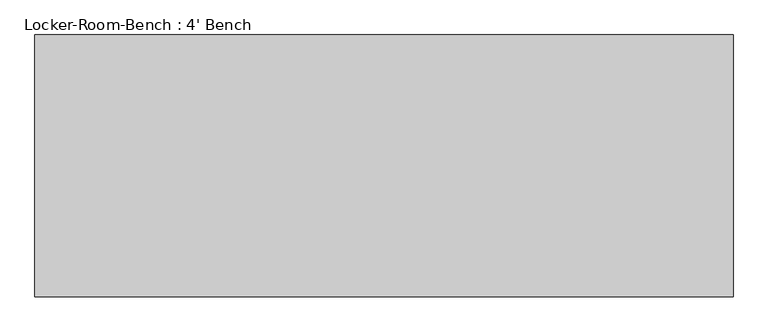
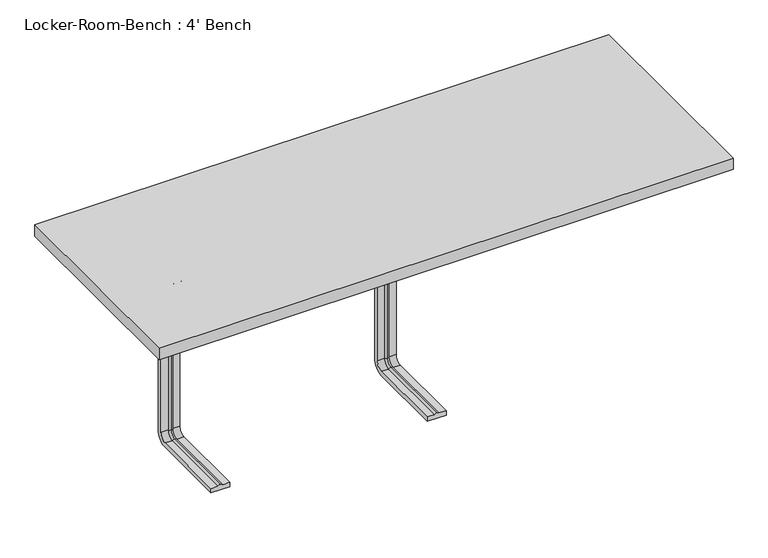
"""IFC4 building model written with IfcOpenShell, lengths in millimetres: furniture geometry, Locker-Room-Bench : 4' Bench."""

from ifc_helpers import new_model, si_unit, point, frame, origin, place, context, project, spatial, polyline, circle_curve, ellipse_curve, trimmed, outline, extrude, source, transform, mapped, element, save
from ifc_brep_helpers import plane_surface, cylinder_surface, revolved_surface, advanced_brep


def locker_room_bench_4_bench_156caa97(model_context):
    return source(origin(), model_context, "Body", "SolidModel", [
        advanced_brep(
        [(-439.6, -193.6, 381.4), (-479.6, -193.6, 381.4), (-479.6, -193.6, 371.4), (-464.6, -193.6, 371.4), (-459.6, -193.6, 369.0684617), (-454.6, -193.6, 371.4), (-439.6, -193.6, 371.4), (-439.6, -25.0, 381.4), (-479.6, -25.0, 381.4), (-479.6, 0.0, 356.4), (-479.6, 0.0, 40.0), (-479.6, -25.0, 15.0), (-479.6, -193.6, 15.0), (-479.6, -193.6, 25.0), (-479.6, -25.0, 25.0), (-479.6, -10.0, 40.0), (-479.6, -10.0, 356.4), (-479.6, -25.0, 371.4), (-464.6, -25.0, 371.4), (-459.6, -25.0, 369.0684617), (-454.6, -25.0, 371.4), (-439.6, -25.0, 371.4), (-439.6, -10.0, 356.4), (-439.6, -10.0, 40.0), (-439.6, -25.0, 25.0), (-439.6, -193.6, 25.0), (-439.6, -193.6, 15.0), (-439.6, -25.0, 15.0), (-439.6, 0.0, 40.0), (-439.6, 0.0, 356.4), (-464.6, -10.0, 356.4), (-459.6, -12.3315383, 356.4), (-454.6, -10.0, 356.4), (-464.6, -10.0, 40.0), (-459.6, -12.3315383, 40.0), (-454.6, -10.0, 40.0), (-464.6, -25.0, 25.0), (-459.6, -25.0, 27.3315383), (-454.6, -25.0, 25.0), (-454.6, -193.6, 25.0), (-459.6, -193.6, 27.3315383), (-464.6, -193.6, 25.0)],
        [
            (0, 1),
            (1, 2),
            (2, 3),
            (3, 4, circle_curve(frame((-459.8996409, -193.6, 374.9529162), z_axis=(0.0, -1.0, 0.0), x_axis=(0.0, 0.0, 1.0)), 5.8920785)),
            (4, 5, circle_curve(frame((-459.3003591, -193.6, 374.9529162), z_axis=(0.0, -1.0, 0.0), x_axis=(0.0, 0.0, 1.0)), 5.8920785)),
            (5, 6),
            (6, 0),
            (0, 7),
            (7, 8),
            (8, 1),
            (8, 9, circle_curve(frame((-479.6, -25.0, 356.4), z_axis=(-1.0, 0.0, 0.0), x_axis=(0.0, 0.0, 1.0)), 25.0)),
            (9, 10),
            (10, 11, circle_curve(frame((-479.6, -25.0, 40.0), z_axis=(-1.0, 0.0, 0.0), x_axis=(0.0, 1.0, 0.0)), 25.0)),
            (11, 12),
            (12, 13),
            (13, 14),
            (14, 15, circle_curve(frame((-479.6, -25.0, 40.0), z_axis=(1.0, 0.0, 0.0), x_axis=(0.0, 1.0, 0.0)), 15.0)),
            (15, 16),
            (16, 17, circle_curve(frame((-479.6, -25.0, 356.4), z_axis=(1.0, 0.0, 0.0), x_axis=(0.0, 0.0, 1.0)), 15.0)),
            (17, 2),
            (17, 18),
            (18, 3),
            (18, 19, circle_curve(frame((-459.8996409, -25.0, 374.9529162), z_axis=(0.0, -1.0, 0.0), x_axis=(0.0, 0.0, 1.0)), 5.8920785)),
            (19, 4),
            (19, 20, circle_curve(frame((-459.3003591, -25.0, 374.9529162), z_axis=(0.0, -1.0, 0.0), x_axis=(0.0, 0.0, 1.0)), 5.8920785)),
            (20, 5),
            (20, 21),
            (21, 6),
            (21, 22, circle_curve(frame((-439.6, -25.0, 356.4), z_axis=(-1.0, 0.0, 0.0), x_axis=(0.0, 0.0, 1.0)), 15.0)),
            (22, 23),
            (23, 24, circle_curve(frame((-439.6, -25.0, 40.0), z_axis=(-1.0, 0.0, 0.0), x_axis=(0.0, 1.0, 0.0)), 15.0)),
            (24, 25),
            (25, 26),
            (26, 27),
            (27, 28, circle_curve(frame((-439.6, -25.0, 40.0), z_axis=(1.0, 0.0, 0.0), x_axis=(0.0, 1.0, 0.0)), 25.0)),
            (28, 29),
            (29, 7, circle_curve(frame((-439.6, -25.0, 356.4), z_axis=(1.0, 0.0, 0.0), x_axis=(0.0, 0.0, 1.0)), 25.0)),
            (29, 9),
            (30, 18, circle_curve(frame((-464.6, -25.0, 356.4), z_axis=(1.0, 0.0, 0.0), x_axis=(0.0, 0.0, 1.0)), 15.0)),
            (16, 30),
            (31, 19, circle_curve(frame((-459.6, -25.0, 356.4), z_axis=(1.0, 0.0, 0.0), x_axis=(0.0, 0.0, 1.0)), 12.6684617)),
            (30, 31, circle_curve(frame((-459.8996409, -6.4470838, 356.4), z_axis=(0.0, 0.0, 1.0), x_axis=(0.0, 1.0, 0.0)), 5.8920785)),
            (32, 20, circle_curve(frame((-454.6, -25.0, 356.4), z_axis=(1.0, 0.0, 0.0), x_axis=(0.0, 0.0, 1.0)), 15.0)),
            (31, 32, circle_curve(frame((-459.3003591, -6.4470838, 356.4), z_axis=(0.0, 0.0, 1.0), x_axis=(0.0, 1.0, 0.0)), 5.8920785)),
            (32, 22),
            (28, 10),
            (15, 33),
            (33, 30),
            (33, 34, circle_curve(frame((-459.8996409, -6.4470838, 40.0), z_axis=(0.0, 0.0, 1.0), x_axis=(0.0, 1.0, 0.0)), 5.8920785)),
            (34, 31),
            (34, 35, circle_curve(frame((-459.3003591, -6.4470838, 40.0), z_axis=(0.0, 0.0, 1.0), x_axis=(0.0, 1.0, 0.0)), 5.8920785)),
            (35, 32),
            (35, 23),
            (27, 11),
            (36, 33, circle_curve(frame((-464.6, -25.0, 40.0), z_axis=(1.0, 0.0, 0.0), x_axis=(0.0, 1.0, 0.0)), 15.0)),
            (14, 36),
            (37, 34, circle_curve(frame((-459.6, -25.0, 40.0), z_axis=(1.0, 0.0, 0.0), x_axis=(0.0, 1.0, 0.0)), 12.6684617)),
            (36, 37, circle_curve(frame((-459.8996409, -25.0, 21.4470838), z_axis=(0.0, 1.0, 0.0), x_axis=(0.0, 0.0, -1.0)), 5.8920785)),
            (38, 35, circle_curve(frame((-454.6, -25.0, 40.0), z_axis=(1.0, 0.0, 0.0), x_axis=(0.0, 1.0, 0.0)), 15.0)),
            (37, 38, circle_curve(frame((-459.3003591, -25.0, 21.4470838), z_axis=(0.0, 1.0, 0.0), x_axis=(0.0, 0.0, -1.0)), 5.8920785)),
            (38, 24),
            (25, 39),
            (39, 40, circle_curve(frame((-459.3003591, -193.6, 21.4470838), z_axis=(0.0, -1.0, 0.0), x_axis=(0.0, 0.0, -1.0)), 5.8920785)),
            (40, 41, circle_curve(frame((-459.8996409, -193.6, 21.4470838), z_axis=(0.0, -1.0, 0.0), x_axis=(0.0, 0.0, -1.0)), 5.8920785)),
            (41, 13),
            (12, 26),
            (41, 36),
            (40, 37),
            (39, 38),
        ],
        [
            plane_surface(frame((-459.6, -193.6, 381.4), z_axis=(0.0, -1.0, 0.0), x_axis=(1.0, 0.0, 0.0))),
            plane_surface(frame((-439.6, -193.6, 381.4), z_axis=(0.0, 0.0, 1.0), x_axis=(0.0, 1.0, 0.0))),
            plane_surface(frame((-479.6, -193.6, 381.4), z_axis=(-1.0, 0.0, 0.0), x_axis=(0.0, 1.0, 0.0))),
            plane_surface(frame((-479.6, -193.6, 371.4), z_axis=(0.0, 0.0, -1.0), x_axis=(0.0, 1.0, 0.0))),
            cylinder_surface(frame((-459.8996409, -193.6, 374.9529162), z_axis=(0.0, -1.0, 0.0), x_axis=(0.0, 0.0, 1.0)), 5.8920785),
            cylinder_surface(frame((-459.3003591, -193.6, 374.9529162), z_axis=(0.0, -1.0, 0.0), x_axis=(0.0, 0.0, 1.0)), 5.8920785),
            plane_surface(frame((-454.6, -193.6, 371.4), z_axis=(0.0, 0.0, -1.0), x_axis=(0.0, 1.0, 0.0))),
            plane_surface(frame((-439.6, -193.6, 371.4), z_axis=(1.0, 0.0, 0.0), x_axis=(0.0, 1.0, 0.0))),
            cylinder_surface(frame((-459.6, -25.0, 356.4), z_axis=(-1.0, 0.0, 0.0), x_axis=(0.0, 0.0, 1.0)), 25.0),
            revolved_surface(polyline([(-479.6, -25.0, 371.4), (-464.6, -25.0, 371.4)]), (-459.6, -25.0, 356.4), (-1.0, 0.0, 0.0)),
            revolved_surface(trimmed(ellipse_curve(frame((-459.8996409, -25.0, 374.9529162), z_axis=(0.0, -1.0, 0.0), x_axis=(0.0, 0.0, 1.0)), 5.8920785, 5.8920785), [point((-464.6, -25.0, 371.4))], [point((-459.6, -25.0, 369.0684617))], True, "CARTESIAN"), (-459.6, -25.0, 356.4), (-1.0, 0.0, 0.0)),
            revolved_surface(trimmed(ellipse_curve(frame((-459.3003591, -25.0, 374.9529162), z_axis=(0.0, -1.0, 0.0), x_axis=(0.0, 0.0, 1.0)), 5.8920785, 5.8920785), [point((-459.6, -25.0, 369.0684617))], [point((-454.6, -25.0, 371.4))], True, "CARTESIAN"), (-459.6, -25.0, 356.4), (-1.0, 0.0, 0.0)),
            revolved_surface(polyline([(-454.6, -25.0, 371.4), (-439.6, -25.0, 371.4)]), (-459.6, -25.0, 356.4), (-1.0, 0.0, 0.0)),
            plane_surface(frame((-439.6, 0.0, 356.4), z_axis=(0.0, 1.0, 0.0), x_axis=(0.0, 0.0, -1.0))),
            plane_surface(frame((-479.6, -10.0, 356.4), z_axis=(0.0, -1.0, 0.0), x_axis=(0.0, 0.0, -1.0))),
            cylinder_surface(frame((-459.8996409, -6.4470838, 356.4), z_axis=(0.0, 0.0, 1.0), x_axis=(0.0, 1.0, 0.0)), 5.8920785),
            cylinder_surface(frame((-459.3003591, -6.4470838, 356.4), z_axis=(0.0, 0.0, 1.0), x_axis=(0.0, 1.0, 0.0)), 5.8920785),
            plane_surface(frame((-454.6, -10.0, 356.4), z_axis=(0.0, -1.0, 0.0), x_axis=(0.0, 0.0, -1.0))),
            cylinder_surface(frame((-459.6, -25.0, 40.0), z_axis=(-1.0, 0.0, 0.0), x_axis=(0.0, 1.0, 0.0)), 25.0),
            revolved_surface(polyline([(-479.6, -10.0, 40.0), (-464.6, -10.0, 40.0)]), (-459.6, -25.0, 40.0), (-1.0, 0.0, 0.0)),
            revolved_surface(trimmed(ellipse_curve(frame((-459.8996409, -6.4470838, 40.0), z_axis=(0.0, 0.0, 1.0), x_axis=(0.0, 1.0, 0.0)), 5.8920785, 5.8920785), [point((-464.6, -10.0, 40.0))], [point((-459.6, -12.3315383, 40.0))], True, "CARTESIAN"), (-459.6, -25.0, 40.0), (-1.0, 0.0, 0.0)),
            revolved_surface(trimmed(ellipse_curve(frame((-459.3003591, -6.4470838, 40.0), z_axis=(0.0, 0.0, 1.0), x_axis=(0.0, 1.0, 0.0)), 5.8920785, 5.8920785), [point((-459.6, -12.3315383, 40.0))], [point((-454.6, -10.0, 40.0))], True, "CARTESIAN"), (-459.6, -25.0, 40.0), (-1.0, 0.0, 0.0)),
            revolved_surface(polyline([(-454.6, -10.0, 40.0), (-439.6, -10.0, 40.0)]), (-459.6, -25.0, 40.0), (-1.0, 0.0, 0.0)),
            plane_surface(frame((-459.6, -193.6, 15.0), z_axis=(0.0, -1.0, 0.0), x_axis=(1.0, 0.0, 0.0))),
            plane_surface(frame((-439.6, -25.0, 15.0), z_axis=(0.0, 0.0, -1.0), x_axis=(0.0, -1.0, 0.0))),
            plane_surface(frame((-479.6, -25.0, 25.0), z_axis=(0.0, 0.0, 1.0), x_axis=(0.0, -1.0, 0.0))),
            cylinder_surface(frame((-459.8996409, -25.0, 21.4470838), z_axis=(0.0, 1.0, 0.0), x_axis=(0.0, 0.0, -1.0)), 5.8920785),
            cylinder_surface(frame((-459.3003591, -25.0, 21.4470838), z_axis=(0.0, 1.0, 0.0), x_axis=(0.0, 0.0, -1.0)), 5.8920785),
            plane_surface(frame((-454.6, -25.0, 25.0), z_axis=(0.0, 0.0, 1.0), x_axis=(0.0, -1.0, 0.0))),
        ],
        [
            (0, [[1, 2, 3, 4, 5, 6, 7]]),
            (1, [[-1, 8, 9, 10]]),
            (2, [[-2, -10, 11, 12, 13, 14, 15, 16, 17, 18, 19, 20]]),
            (3, [[-3, -20, 21, 22]]),
            (4, [[-4, -22, 23, 24]]),
            (5, [[-5, -24, 25, 26]]),
            (6, [[-6, -26, 27, 28]]),
            (7, [[-7, -28, 29, 30, 31, 32, 33, 34, 35, 36, 37, -8]]),
            (8, [[-11, -9, -37, 38]]),
            (9, [[39, -21, -19, 40]]),
            (10, [[41, -23, -39, 42]]),
            (11, [[43, -25, -41, 44]]),
            (12, [[-29, -27, -43, 45]]),
            (13, [[-38, -36, 46, -12]]),
            (14, [[-40, -18, 47, 48]]),
            (15, [[-42, -48, 49, 50]]),
            (16, [[-44, -50, 51, 52]]),
            (17, [[-45, -52, 53, -30]]),
            (18, [[-13, -46, -35, 54]]),
            (19, [[55, -47, -17, 56]]),
            (20, [[57, -49, -55, 58]]),
            (21, [[59, -51, -57, 60]]),
            (22, [[-31, -53, -59, 61]]),
            (23, [[-33, 62, 63, 64, 65, -15, 66]]),
            (24, [[-54, -34, -66, -14]]),
            (25, [[-56, -16, -65, 67]]),
            (26, [[-58, -67, -64, 68]]),
            (27, [[-60, -68, -63, 69]]),
            (28, [[-61, -69, -62, -32]]),
        ],
    ),
        advanced_brep(
        [(20.0, -193.6, 381.4), (-20.0, -193.6, 381.4), (-20.0, -193.6, 371.4), (-5.0, -193.6, 371.4), (0.0, -193.6, 369.0684617), (5.0, -193.6, 371.4), (20.0, -193.6, 371.4), (20.0, -25.0, 381.4), (-20.0, -25.0, 381.4), (-20.0, 0.0, 356.4), (-20.0, 0.0, 40.0), (-20.0, -25.0, 15.0), (-20.0, -193.6, 15.0), (-20.0, -193.6, 25.0), (-20.0, -25.0, 25.0), (-20.0, -10.0, 40.0), (-20.0, -10.0, 356.4), (-20.0, -25.0, 371.4), (-5.0, -25.0, 371.4), (0.0, -25.0, 369.0684617), (5.0, -25.0, 371.4), (20.0, -25.0, 371.4), (20.0, -10.0, 356.4), (20.0, -10.0, 40.0), (20.0, -25.0, 25.0), (20.0, -193.6, 25.0), (20.0, -193.6, 15.0), (20.0, -25.0, 15.0), (20.0, 0.0, 40.0), (20.0, 0.0, 356.4), (-5.0, -10.0, 356.4), (0.0, -12.3315383, 356.4), (5.0, -10.0, 356.4), (-5.0, -10.0, 40.0), (0.0, -12.3315383, 40.0), (5.0, -10.0, 40.0), (-5.0, -25.0, 25.0), (0.0, -25.0, 27.3315383), (5.0, -25.0, 25.0), (5.0, -193.6, 25.0), (0.0, -193.6, 27.3315383), (-5.0, -193.6, 25.0)],
        [
            (0, 1),
            (1, 2),
            (2, 3),
            (3, 4, circle_curve(frame((-0.2996409, -193.6, 374.9529162), z_axis=(0.0, -1.0, 0.0), x_axis=(0.0, 0.0, 1.0)), 5.8920785)),
            (4, 5, circle_curve(frame((0.2996409, -193.6, 374.9529162), z_axis=(0.0, -1.0, 0.0), x_axis=(0.0, 0.0, 1.0)), 5.8920785)),
            (5, 6),
            (6, 0),
            (0, 7),
            (7, 8),
            (8, 1),
            (8, 9, circle_curve(frame((-20.0, -25.0, 356.4), z_axis=(-1.0, 0.0, 0.0), x_axis=(0.0, 0.0, 1.0)), 25.0)),
            (9, 10),
            (10, 11, circle_curve(frame((-20.0, -25.0, 40.0), z_axis=(-1.0, 0.0, 0.0), x_axis=(0.0, 1.0, 0.0)), 25.0)),
            (11, 12),
            (12, 13),
            (13, 14),
            (14, 15, circle_curve(frame((-20.0, -25.0, 40.0), z_axis=(1.0, 0.0, 0.0), x_axis=(0.0, 1.0, 0.0)), 15.0)),
            (15, 16),
            (16, 17, circle_curve(frame((-20.0, -25.0, 356.4), z_axis=(1.0, 0.0, 0.0), x_axis=(0.0, 0.0, 1.0)), 15.0)),
            (17, 2),
            (17, 18),
            (18, 3),
            (18, 19, circle_curve(frame((-0.2996409, -25.0, 374.9529162), z_axis=(0.0, -1.0, 0.0), x_axis=(0.0, 0.0, 1.0)), 5.8920785)),
            (19, 4),
            (19, 20, circle_curve(frame((0.2996409, -25.0, 374.9529162), z_axis=(0.0, -1.0, 0.0), x_axis=(0.0, 0.0, 1.0)), 5.8920785)),
            (20, 5),
            (20, 21),
            (21, 6),
            (21, 22, circle_curve(frame((20.0, -25.0, 356.4), z_axis=(-1.0, 0.0, 0.0), x_axis=(0.0, 0.0, 1.0)), 15.0)),
            (22, 23),
            (23, 24, circle_curve(frame((20.0, -25.0, 40.0), z_axis=(-1.0, 0.0, 0.0), x_axis=(0.0, 1.0, 0.0)), 15.0)),
            (24, 25),
            (25, 26),
            (26, 27),
            (27, 28, circle_curve(frame((20.0, -25.0, 40.0), z_axis=(1.0, 0.0, 0.0), x_axis=(0.0, 1.0, 0.0)), 25.0)),
            (28, 29),
            (29, 7, circle_curve(frame((20.0, -25.0, 356.4), z_axis=(1.0, 0.0, 0.0), x_axis=(0.0, 0.0, 1.0)), 25.0)),
            (29, 9),
            (30, 18, circle_curve(frame((-5.0, -25.0, 356.4), z_axis=(1.0, 0.0, 0.0), x_axis=(0.0, 0.0, 1.0)), 15.0)),
            (16, 30),
            (31, 19, circle_curve(frame((0.0, -25.0, 356.4), z_axis=(1.0, 0.0, 0.0), x_axis=(0.0, 0.0, 1.0)), 12.6684617)),
            (30, 31, circle_curve(frame((-0.2996409, -6.4470838, 356.4), z_axis=(0.0, 0.0, 1.0), x_axis=(0.0, 1.0, 0.0)), 5.8920785)),
            (32, 20, circle_curve(frame((5.0, -25.0, 356.4), z_axis=(1.0, 0.0, 0.0), x_axis=(0.0, 0.0, 1.0)), 15.0)),
            (31, 32, circle_curve(frame((0.2996409, -6.4470838, 356.4), z_axis=(0.0, 0.0, 1.0), x_axis=(0.0, 1.0, 0.0)), 5.8920785)),
            (32, 22),
            (28, 10),
            (15, 33),
            (33, 30),
            (33, 34, circle_curve(frame((-0.2996409, -6.4470838, 40.0), z_axis=(0.0, 0.0, 1.0), x_axis=(0.0, 1.0, 0.0)), 5.8920785)),
            (34, 31),
            (34, 35, circle_curve(frame((0.2996409, -6.4470838, 40.0), z_axis=(0.0, 0.0, 1.0), x_axis=(0.0, 1.0, 0.0)), 5.8920785)),
            (35, 32),
            (35, 23),
            (27, 11),
            (36, 33, circle_curve(frame((-5.0, -25.0, 40.0), z_axis=(1.0, 0.0, 0.0), x_axis=(0.0, 1.0, 0.0)), 15.0)),
            (14, 36),
            (37, 34, circle_curve(frame((0.0, -25.0, 40.0), z_axis=(1.0, 0.0, 0.0), x_axis=(0.0, 1.0, 0.0)), 12.6684617)),
            (36, 37, circle_curve(frame((-0.2996409, -25.0, 21.4470838), z_axis=(0.0, 1.0, 0.0), x_axis=(0.0, 0.0, -1.0)), 5.8920785)),
            (38, 35, circle_curve(frame((5.0, -25.0, 40.0), z_axis=(1.0, 0.0, 0.0), x_axis=(0.0, 1.0, 0.0)), 15.0)),
            (37, 38, circle_curve(frame((0.2996409, -25.0, 21.4470838), z_axis=(0.0, 1.0, 0.0), x_axis=(0.0, 0.0, -1.0)), 5.8920785)),
            (38, 24),
            (25, 39),
            (39, 40, circle_curve(frame((0.2996409, -193.6, 21.4470838), z_axis=(0.0, -1.0, 0.0), x_axis=(0.0, 0.0, -1.0)), 5.8920785)),
            (40, 41, circle_curve(frame((-0.2996409, -193.6, 21.4470838), z_axis=(0.0, -1.0, 0.0), x_axis=(0.0, 0.0, -1.0)), 5.8920785)),
            (41, 13),
            (12, 26),
            (41, 36),
            (40, 37),
            (39, 38),
        ],
        [
            plane_surface(frame((0.0, -193.6, 381.4), z_axis=(0.0, -1.0, 0.0), x_axis=(1.0, 0.0, 0.0))),
            plane_surface(frame((20.0, -193.6, 381.4), z_axis=(0.0, 0.0, 1.0), x_axis=(0.0, 1.0, 0.0))),
            plane_surface(frame((-20.0, -193.6, 381.4), z_axis=(-1.0, 0.0, 0.0), x_axis=(0.0, 1.0, 0.0))),
            plane_surface(frame((-20.0, -193.6, 371.4), z_axis=(0.0, 0.0, -1.0), x_axis=(0.0, 1.0, 0.0))),
            cylinder_surface(frame((-0.2996409, -193.6, 374.9529162), z_axis=(0.0, -1.0, 0.0), x_axis=(0.0, 0.0, 1.0)), 5.8920785),
            cylinder_surface(frame((0.2996409, -193.6, 374.9529162), z_axis=(0.0, -1.0, 0.0), x_axis=(0.0, 0.0, 1.0)), 5.8920785),
            plane_surface(frame((5.0, -193.6, 371.4), z_axis=(0.0, 0.0, -1.0), x_axis=(0.0, 1.0, 0.0))),
            plane_surface(frame((20.0, -193.6, 371.4), z_axis=(1.0, 0.0, 0.0), x_axis=(0.0, 1.0, 0.0))),
            cylinder_surface(frame((0.0, -25.0, 356.4), z_axis=(-1.0, 0.0, 0.0), x_axis=(0.0, 0.0, 1.0)), 25.0),
            revolved_surface(polyline([(-20.0, -25.0, 371.4), (-5.0, -25.0, 371.4)]), (0.0, -25.0, 356.4), (-1.0, 0.0, 0.0)),
            revolved_surface(trimmed(ellipse_curve(frame((-0.2996409, -25.0, 374.9529162), z_axis=(0.0, -1.0, 0.0), x_axis=(0.0, 0.0, 1.0)), 5.8920785, 5.8920785), [point((-5.0, -25.0, 371.4))], [point((0.0, -25.0, 369.0684617))], True, "CARTESIAN"), (0.0, -25.0, 356.4), (-1.0, 0.0, 0.0)),
            revolved_surface(trimmed(ellipse_curve(frame((0.2996409, -25.0, 374.9529162), z_axis=(0.0, -1.0, 0.0), x_axis=(0.0, 0.0, 1.0)), 5.8920785, 5.8920785), [point((0.0, -25.0, 369.0684617))], [point((5.0, -25.0, 371.4))], True, "CARTESIAN"), (0.0, -25.0, 356.4), (-1.0, 0.0, 0.0)),
            revolved_surface(polyline([(5.0, -25.0, 371.4), (20.0, -25.0, 371.4)]), (0.0, -25.0, 356.4), (-1.0, 0.0, 0.0)),
            plane_surface(frame((20.0, 0.0, 356.4), z_axis=(0.0, 1.0, 0.0), x_axis=(0.0, 0.0, -1.0))),
            plane_surface(frame((-20.0, -10.0, 356.4), z_axis=(0.0, -1.0, 0.0), x_axis=(0.0, 0.0, -1.0))),
            cylinder_surface(frame((-0.2996409, -6.4470838, 356.4), z_axis=(0.0, 0.0, 1.0), x_axis=(0.0, 1.0, 0.0)), 5.8920785),
            cylinder_surface(frame((0.2996409, -6.4470838, 356.4), z_axis=(0.0, 0.0, 1.0), x_axis=(0.0, 1.0, 0.0)), 5.8920785),
            plane_surface(frame((5.0, -10.0, 356.4), z_axis=(0.0, -1.0, 0.0), x_axis=(0.0, 0.0, -1.0))),
            cylinder_surface(frame((0.0, -25.0, 40.0), z_axis=(-1.0, 0.0, 0.0), x_axis=(0.0, 1.0, 0.0)), 25.0),
            revolved_surface(polyline([(-20.0, -10.0, 40.0), (-5.0, -10.0, 40.0)]), (0.0, -25.0, 40.0), (-1.0, 0.0, 0.0)),
            revolved_surface(trimmed(ellipse_curve(frame((-0.2996409, -6.4470838, 40.0), z_axis=(0.0, 0.0, 1.0), x_axis=(0.0, 1.0, 0.0)), 5.8920785, 5.8920785), [point((-5.0, -10.0, 40.0))], [point((0.0, -12.3315383, 40.0))], True, "CARTESIAN"), (0.0, -25.0, 40.0), (-1.0, 0.0, 0.0)),
            revolved_surface(trimmed(ellipse_curve(frame((0.2996409, -6.4470838, 40.0), z_axis=(0.0, 0.0, 1.0), x_axis=(0.0, 1.0, 0.0)), 5.8920785, 5.8920785), [point((0.0, -12.3315383, 40.0))], [point((5.0, -10.0, 40.0))], True, "CARTESIAN"), (0.0, -25.0, 40.0), (-1.0, 0.0, 0.0)),
            revolved_surface(polyline([(5.0, -10.0, 40.0), (20.0, -10.0, 40.0)]), (0.0, -25.0, 40.0), (-1.0, 0.0, 0.0)),
            plane_surface(frame((0.0, -193.6, 15.0), z_axis=(0.0, -1.0, 0.0), x_axis=(1.0, 0.0, 0.0))),
            plane_surface(frame((20.0, -25.0, 15.0), z_axis=(0.0, 0.0, -1.0), x_axis=(0.0, -1.0, 0.0))),
            plane_surface(frame((-20.0, -25.0, 25.0), z_axis=(0.0, 0.0, 1.0), x_axis=(0.0, -1.0, 0.0))),
            cylinder_surface(frame((-0.2996409, -25.0, 21.4470838), z_axis=(0.0, 1.0, 0.0), x_axis=(0.0, 0.0, -1.0)), 5.8920785),
            cylinder_surface(frame((0.2996409, -25.0, 21.4470838), z_axis=(0.0, 1.0, 0.0), x_axis=(0.0, 0.0, -1.0)), 5.8920785),
            plane_surface(frame((5.0, -25.0, 25.0), z_axis=(0.0, 0.0, 1.0), x_axis=(0.0, -1.0, 0.0))),
        ],
        [
            (0, [[1, 2, 3, 4, 5, 6, 7]]),
            (1, [[-1, 8, 9, 10]]),
            (2, [[-2, -10, 11, 12, 13, 14, 15, 16, 17, 18, 19, 20]]),
            (3, [[-3, -20, 21, 22]]),
            (4, [[-4, -22, 23, 24]]),
            (5, [[-5, -24, 25, 26]]),
            (6, [[-6, -26, 27, 28]]),
            (7, [[-7, -28, 29, 30, 31, 32, 33, 34, 35, 36, 37, -8]]),
            (8, [[-11, -9, -37, 38]]),
            (9, [[39, -21, -19, 40]]),
            (10, [[41, -23, -39, 42]]),
            (11, [[43, -25, -41, 44]]),
            (12, [[-29, -27, -43, 45]]),
            (13, [[-38, -36, 46, -12]]),
            (14, [[-40, -18, 47, 48]]),
            (15, [[-42, -48, 49, 50]]),
            (16, [[-44, -50, 51, 52]]),
            (17, [[-45, -52, 53, -30]]),
            (18, [[-13, -46, -35, 54]]),
            (19, [[55, -47, -17, 56]]),
            (20, [[57, -49, -55, 58]]),
            (21, [[59, -51, -57, 60]]),
            (22, [[-31, -53, -59, 61]]),
            (23, [[-33, 62, 63, 64, 65, -15, 66]]),
            (24, [[-54, -34, -66, -14]]),
            (25, [[-56, -16, -65, 67]]),
            (26, [[-58, -67, -64, 68]]),
            (27, [[-60, -68, -63, 69]]),
            (28, [[-61, -69, -62, -32]]),
        ],
    ),
        extrude(outline(polyline([(609.6, 228.6), (609.6, -228.6), (-609.6, -228.6), (-609.6, 228.6), (609.6, 228.6)])), frame((0.0, 0.0, 381.4), z_axis=(0.0, 0.0, 1.0), x_axis=(1.0, 0.0, 0.0)), (0.0, 0.0, 1.0), 25.0),
    ])


if __name__ == "__main__":
    model = new_model("IFC4")
    model_context = context("Model", 3, world=origin())
    ifc_project = project(units=[si_unit("LENGTHUNIT", "METRE", prefix="MILLI")], contexts=[model_context])
    site = spatial("IfcSite", under=ifc_project)
    building = spatial("IfcBuilding", under=site)
    placement = place(None, origin())
    locker_room_bench_4_bench_shape = locker_room_bench_4_bench_156caa97(model_context)
    element("IfcFurniture", 1, ObjectType="Locker-Room-Bench : 4' Bench", at=placement, inside=building, context=model_context, shape_type="MappedRepresentation", body=[
        mapped(locker_room_bench_4_bench_shape, transform((0.0, 0.0, 0.0), x_axis=(1.0, 0.0, 0.0), y_axis=(0.0, 1.0, 0.0), z_axis=(0.0, 0.0, 1.0))),
    ])
    save(model, "model.ifc")
